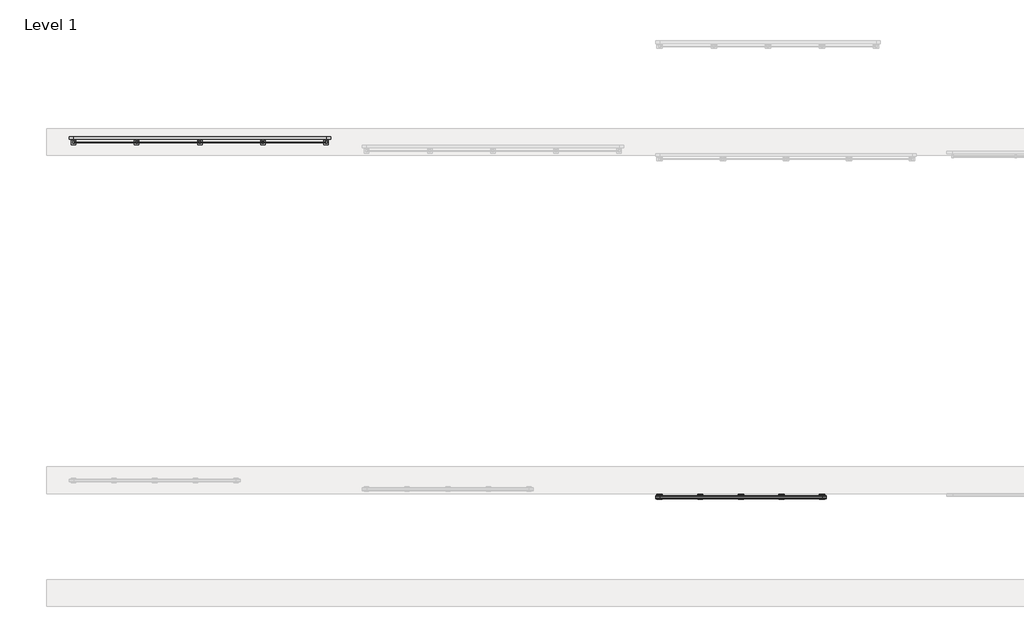
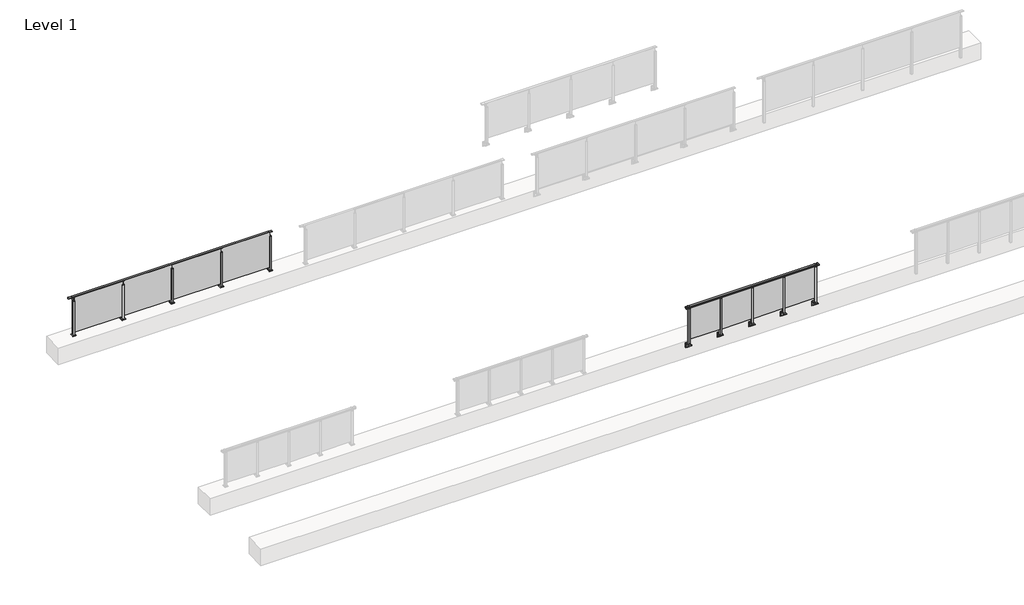
# One storey, part 57 of 64: 2 railings.
"""IFC4 building model written with IfcOpenShell, lengths in millimetres."""

from ifc_helpers import new_model, si_unit, point, frame, frame_2d, origin, origin_with_axes, place, context, project, spatial, polyline, circle_curve, trimmed, segment, composite_curve, outline, extrude, faceted_brep, element, save
from ifc_brep_helpers import plane_surface, cylinder_surface, revolved_surface, advanced_brep

model = new_model("IFC4")

# Units and contexts
model_context = context("Model", 3, world=origin())
ifc_project = project(units=[si_unit("LENGTHUNIT", "METRE", prefix="MILLI")], contexts=[model_context])

# Site, building, storey
site = spatial("IfcSite", under=ifc_project)
building = spatial("IfcBuilding", under=site)
storey = spatial("IfcBuildingStorey", under=building, Name="Level 1", Elevation=0.0)

# Railings
placement = place(None, origin())
element("IfcRailing", 1, at=placement, inside=storey, context=model_context, shape_type="SolidModel", body=[
    advanced_brep(
    [(42910.0, 37342.8633756, 1095.6691182), (42910.0, 37347.6846828, 1081.1334092), (42910.0, 37346.7413744, 1069.2539035), (42910.0, 37348.6364177, 1061.4863007), (42910.0, 37346.9894799, 1060.384124), (42910.0, 37346.9894799, 1062.0), (42910.0, 37288.3798858, 1062.0), (42910.0, 37288.3798858, 1060.384124), (42910.0, 37286.732948, 1061.4863007), (42910.0, 37288.6279912, 1069.2539035), (42910.0, 37287.6846828, 1081.1334092), (42910.0, 37292.50599, 1095.6691182), (46690.0, 37342.8633756, 1095.6691182), (46690.0, 37292.50599, 1095.6691182), (46690.0, 37287.6846828, 1081.1334092), (46690.0, 37288.6279912, 1069.2539035), (46690.0, 37286.732948, 1061.4863007), (46690.0, 37288.3798858, 1060.384124), (46690.0, 37288.3798858, 1062.0), (46690.0, 37346.9894799, 1062.0), (46690.0, 37346.9894799, 1060.384124), (46690.0, 37348.6364177, 1061.4863007), (46690.0, 37346.7413744, 1069.2539035), (46690.0, 37347.6846828, 1081.1334092), (43000.0, 37342.8633756, 1095.6691182), (43000.0, 37347.6846828, 1081.1334092), (43000.0, 37346.7413744, 1069.2539035), (43000.0, 37348.6364177, 1061.4863007), (43000.0, 37346.9894799, 1060.384124), (43000.0, 37346.9894799, 1062.0), (43000.0, 37288.3798858, 1062.0), (43000.0, 37288.3798858, 1060.384124), (43000.0, 37286.732948, 1061.4863007), (43000.0, 37288.6279912, 1069.2539035), (43000.0, 37287.6846828, 1081.1334092), (43000.0, 37292.50599, 1095.6691182), (46600.0, 37342.8633756, 1095.6691182), (46600.0, 37347.6846828, 1081.1334092), (46600.0, 37346.7413744, 1069.2539035), (46600.0, 37348.6364177, 1061.4863007), (46600.0, 37346.9894799, 1060.384124), (46600.0, 37346.9894799, 1062.0), (46600.0, 37288.3798858, 1062.0), (46600.0, 37288.3798858, 1060.384124), (46600.0, 37286.732948, 1061.4863007), (46600.0, 37288.6279912, 1069.2539035), (46600.0, 37287.6846828, 1081.1334092), (46600.0, 37292.50599, 1095.6691182)],
    [
        (0, 1, circle_curve(frame((42910.0, 37339.6223845, 1086.526686), z_axis=(-1.0, 0.0, 0.0), x_axis=(0.0, -1.0, 0.0)), 9.6999015)),
        (1, 2, circle_curve(frame((42910.0, 37365.2252545, 1073.7633709), z_axis=(1.0, 0.0, 0.0), x_axis=(0.0, -1.0, 0.0)), 19.0260117)),
        (2, 3),
        (3, 4, circle_curve(frame((42910.0, 37347.7772073, 1060.9886194), z_axis=(-1.0, 0.0, 0.0), x_axis=(0.0, -1.0, 0.0)), 0.9929396)),
        (4, 5),
        (5, 6),
        (6, 7),
        (7, 8, circle_curve(frame((42910.0, 37287.5921584, 1060.9886194), z_axis=(-1.0, 0.0, 0.0), x_axis=(0.0, 1.0, 0.0)), 0.9929396)),
        (8, 9),
        (9, 10, circle_curve(frame((42910.0, 37270.1441111, 1073.7633709), z_axis=(1.0, 0.0, 0.0), x_axis=(0.0, 1.0, 0.0)), 19.0260117)),
        (10, 11, circle_curve(frame((42910.0, 37295.7469812, 1086.526686), z_axis=(-1.0, 0.0, 0.0), x_axis=(0.0, 1.0, 0.0)), 9.6999015)),
        (11, 0, circle_curve(frame((42910.0, 37317.6846828, 1024.6431628), z_axis=(-1.0, 0.0, 0.0), x_axis=(0.0, 1.0, 0.0)), 75.3568372)),
        (12, 13, circle_curve(frame((46690.0, 37317.6846828, 1024.6431628), z_axis=(1.0, 0.0, 0.0), x_axis=(0.0, 1.0, 0.0)), 75.3568372)),
        (13, 14, circle_curve(frame((46690.0, 37295.7469812, 1086.526686), z_axis=(1.0, 0.0, 0.0), x_axis=(0.0, 1.0, 0.0)), 9.6999015)),
        (14, 15, circle_curve(frame((46690.0, 37270.1441111, 1073.7633709), z_axis=(-1.0, 0.0, 0.0), x_axis=(0.0, 1.0, 0.0)), 19.0260117)),
        (15, 16),
        (16, 17, circle_curve(frame((46690.0, 37287.5921584, 1060.9886194), z_axis=(1.0, 0.0, 0.0), x_axis=(0.0, 1.0, 0.0)), 0.9929396)),
        (17, 18),
        (18, 19),
        (19, 20),
        (20, 21, circle_curve(frame((46690.0, 37347.7772073, 1060.9886194), z_axis=(1.0, 0.0, 0.0), x_axis=(0.0, -1.0, 0.0)), 0.9929396)),
        (21, 22),
        (22, 23, circle_curve(frame((46690.0, 37365.2252545, 1073.7633709), z_axis=(-1.0, 0.0, 0.0), x_axis=(0.0, -1.0, 0.0)), 19.0260117)),
        (23, 12, circle_curve(frame((46690.0, 37339.6223845, 1086.526686), z_axis=(1.0, 0.0, 0.0), x_axis=(0.0, -1.0, 0.0)), 9.6999015)),
        (0, 24),
        (24, 25, circle_curve(frame((43000.0, 37339.6223845, 1086.526686), z_axis=(-1.0, 0.0, 0.0), x_axis=(0.0, -1.0, 0.0)), 9.6999015)),
        (25, 1),
        (25, 26, circle_curve(frame((43000.0, 37365.2252545, 1073.7633709), z_axis=(1.0, 0.0, 0.0), x_axis=(0.0, -1.0, 0.0)), 19.0260117)),
        (26, 2),
        (26, 27),
        (27, 3),
        (27, 28, circle_curve(frame((43000.0, 37347.7772073, 1060.9886194), z_axis=(-1.0, 0.0, 0.0), x_axis=(0.0, -1.0, 0.0)), 0.9929396)),
        (28, 4),
        (28, 29),
        (29, 5),
        (29, 30),
        (30, 6),
        (30, 31),
        (31, 7),
        (31, 32, circle_curve(frame((43000.0, 37287.5921584, 1060.9886194), z_axis=(-1.0, 0.0, 0.0), x_axis=(0.0, 1.0, 0.0)), 0.9929396)),
        (32, 8),
        (32, 33),
        (33, 9),
        (33, 34, circle_curve(frame((43000.0, 37270.1441111, 1073.7633709), z_axis=(1.0, 0.0, 0.0), x_axis=(0.0, 1.0, 0.0)), 19.0260117)),
        (34, 10),
        (34, 35, circle_curve(frame((43000.0, 37295.7469812, 1086.526686), z_axis=(-1.0, 0.0, 0.0), x_axis=(0.0, 1.0, 0.0)), 9.6999015)),
        (35, 11),
        (35, 24, circle_curve(frame((43000.0, 37317.6846828, 1024.6431628), z_axis=(-1.0, 0.0, 0.0), x_axis=(0.0, 1.0, 0.0)), 75.3568372)),
        (24, 36),
        (36, 37, circle_curve(frame((46600.0, 37339.6223845, 1086.526686), z_axis=(-1.0, 0.0, 0.0), x_axis=(0.0, -1.0, 0.0)), 9.6999015)),
        (37, 25),
        (37, 38, circle_curve(frame((46600.0, 37365.2252545, 1073.7633709), z_axis=(1.0, 0.0, 0.0), x_axis=(0.0, -1.0, 0.0)), 19.0260117)),
        (38, 26),
        (38, 39),
        (39, 27),
        (39, 40, circle_curve(frame((46600.0, 37347.7772073, 1060.9886194), z_axis=(-1.0, 0.0, 0.0), x_axis=(0.0, -1.0, 0.0)), 0.9929396)),
        (40, 28),
        (40, 41),
        (41, 29),
        (41, 42),
        (42, 30),
        (42, 43),
        (43, 31),
        (43, 44, circle_curve(frame((46600.0, 37287.5921584, 1060.9886194), z_axis=(-1.0, 0.0, 0.0), x_axis=(0.0, 1.0, 0.0)), 0.9929396)),
        (44, 32),
        (44, 45),
        (45, 33),
        (45, 46, circle_curve(frame((46600.0, 37270.1441111, 1073.7633709), z_axis=(1.0, 0.0, 0.0), x_axis=(0.0, 1.0, 0.0)), 19.0260117)),
        (46, 34),
        (46, 47, circle_curve(frame((46600.0, 37295.7469812, 1086.526686), z_axis=(-1.0, 0.0, 0.0), x_axis=(0.0, 1.0, 0.0)), 9.6999015)),
        (47, 35),
        (47, 36, circle_curve(frame((46600.0, 37317.6846828, 1024.6431628), z_axis=(-1.0, 0.0, 0.0), x_axis=(0.0, 1.0, 0.0)), 75.3568372)),
        (36, 12),
        (23, 37),
        (22, 38),
        (21, 39),
        (20, 40),
        (19, 41),
        (18, 42),
        (17, 43),
        (16, 44),
        (15, 45),
        (14, 46),
        (13, 47),
    ],
    [
        plane_surface(frame((42910.0, 37317.6846828, 1100.0), z_axis=(-1.0, 0.0, 0.0), x_axis=(0.0, 1.0, 0.0))),
        plane_surface(frame((46690.0, 37317.6846828, 1100.0), z_axis=(1.0, 0.0, 0.0), x_axis=(0.0, 1.0, 0.0))),
        cylinder_surface(frame((42910.0, 37339.6223845, 1086.526686), z_axis=(-1.0, 0.0, 0.0), x_axis=(0.0, -1.0, 0.0)), 9.6999015),
        revolved_surface(polyline([(43000.0, 37346.1992428, 1073.7633709), (42910.0, 37346.1992428, 1073.7633709)]), (42910.0, 37365.2252545, 1073.7633709), (1.0, 0.0, 0.0)),
        plane_surface(frame((42910.0, 37346.7413744, 1069.2539035), z_axis=(0.0, 0.9715057689301543, 0.2370159086125439), x_axis=(1.0, 0.0, 0.0))),
        cylinder_surface(frame((42910.0, 37347.7772073, 1060.9886194), z_axis=(-1.0, 0.0, 0.0), x_axis=(0.0, -1.0, 0.0)), 0.9929396),
        plane_surface(frame((42910.0, 37346.9894799, 1060.384124), z_axis=(0.0, -1.0, 0.0), x_axis=(1.0, 0.0, 0.0))),
        plane_surface(frame((42910.0, 37346.9894799, 1062.0), z_axis=(0.0, 0.0, -1.0), x_axis=(1.0, 0.0, 0.0))),
        plane_surface(frame((42910.0, 37288.3798858, 1062.0), z_axis=(0.0, 1.0, 0.0), x_axis=(1.0, 0.0, 0.0))),
        cylinder_surface(frame((42910.0, 37287.5921584, 1060.9886194), z_axis=(-1.0, 0.0, 0.0), x_axis=(0.0, 1.0, 0.0)), 0.9929396),
        plane_surface(frame((42910.0, 37286.732948, 1061.4863007), z_axis=(0.0, -0.9715057689301543, 0.2370159086125439), x_axis=(1.0, 0.0, 0.0))),
        revolved_surface(polyline([(43000.0, 37289.1701228, 1073.7633709), (42910.0, 37289.1701228, 1073.7633709)]), (42910.0, 37270.1441111, 1073.7633709), (1.0, 0.0, 0.0)),
        cylinder_surface(frame((42910.0, 37295.7469812, 1086.526686), z_axis=(-1.0, 0.0, 0.0), x_axis=(0.0, 1.0, 0.0)), 9.6999015),
        cylinder_surface(frame((42910.0, 37317.6846828, 1024.6431628), z_axis=(-1.0, 0.0, 0.0), x_axis=(0.0, 1.0, 0.0)), 75.3568372),
        cylinder_surface(frame((43000.0, 37339.6223845, 1086.526686), z_axis=(-1.0, 0.0, 0.0), x_axis=(0.0, -1.0, 0.0)), 9.6999015),
        revolved_surface(polyline([(46600.0, 37346.1992428, 1073.7633709), (43000.0, 37346.1992428, 1073.7633709)]), (43000.0, 37365.2252545, 1073.7633709), (1.0, 0.0, 0.0)),
        plane_surface(frame((43000.0, 37346.7413744, 1069.2539035), z_axis=(0.0, 0.9715057689301543, 0.2370159086125439), x_axis=(1.0, 0.0, 0.0))),
        cylinder_surface(frame((43000.0, 37347.7772073, 1060.9886194), z_axis=(-1.0, 0.0, 0.0), x_axis=(0.0, -1.0, 0.0)), 0.9929396),
        plane_surface(frame((43000.0, 37346.9894799, 1060.384124), z_axis=(0.0, -1.0, 0.0), x_axis=(1.0, 0.0, 0.0))),
        plane_surface(frame((43000.0, 37346.9894799, 1062.0), z_axis=(0.0, 0.0, -1.0), x_axis=(1.0, 0.0, 0.0))),
        plane_surface(frame((43000.0, 37288.3798858, 1062.0), z_axis=(0.0, 1.0, 0.0), x_axis=(1.0, 0.0, 0.0))),
        cylinder_surface(frame((43000.0, 37287.5921584, 1060.9886194), z_axis=(-1.0, 0.0, 0.0), x_axis=(0.0, 1.0, 0.0)), 0.9929396),
        plane_surface(frame((43000.0, 37286.732948, 1061.4863007), z_axis=(0.0, -0.9715057689301543, 0.2370159086125439), x_axis=(1.0, 0.0, 0.0))),
        revolved_surface(polyline([(46600.0, 37289.1701228, 1073.7633709), (43000.0, 37289.1701228, 1073.7633709)]), (43000.0, 37270.1441111, 1073.7633709), (1.0, 0.0, 0.0)),
        cylinder_surface(frame((43000.0, 37295.7469812, 1086.526686), z_axis=(-1.0, 0.0, 0.0), x_axis=(0.0, 1.0, 0.0)), 9.6999015),
        cylinder_surface(frame((43000.0, 37317.6846828, 1024.6431628), z_axis=(-1.0, 0.0, 0.0), x_axis=(0.0, 1.0, 0.0)), 75.3568372),
        cylinder_surface(frame((46600.0, 37339.6223845, 1086.526686), z_axis=(-1.0, 0.0, 0.0), x_axis=(0.0, -1.0, 0.0)), 9.6999015),
        revolved_surface(polyline([(46690.0, 37346.1992428, 1073.7633709), (46600.0, 37346.1992428, 1073.7633709)]), (46600.0, 37365.2252545, 1073.7633709), (1.0, 0.0, 0.0)),
        plane_surface(frame((46600.0, 37346.7413744, 1069.2539035), z_axis=(0.0, 0.9715057689301543, 0.2370159086125439), x_axis=(1.0, 0.0, 0.0))),
        cylinder_surface(frame((46600.0, 37347.7772073, 1060.9886194), z_axis=(-1.0, 0.0, 0.0), x_axis=(0.0, -1.0, 0.0)), 0.9929396),
        plane_surface(frame((46600.0, 37346.9894799, 1060.384124), z_axis=(0.0, -1.0, 0.0), x_axis=(1.0, 0.0, 0.0))),
        plane_surface(frame((46600.0, 37346.9894799, 1062.0), z_axis=(0.0, 0.0, -1.0), x_axis=(1.0, 0.0, 0.0))),
        plane_surface(frame((46600.0, 37288.3798858, 1062.0), z_axis=(0.0, 1.0, 0.0), x_axis=(1.0, 0.0, 0.0))),
        cylinder_surface(frame((46600.0, 37287.5921584, 1060.9886194), z_axis=(-1.0, 0.0, 0.0), x_axis=(0.0, 1.0, 0.0)), 0.9929396),
        plane_surface(frame((46600.0, 37286.732948, 1061.4863007), z_axis=(0.0, -0.9715057689301543, 0.2370159086125439), x_axis=(1.0, 0.0, 0.0))),
        revolved_surface(polyline([(46690.0, 37289.1701228, 1073.7633709), (46600.0, 37289.1701228, 1073.7633709)]), (46600.0, 37270.1441111, 1073.7633709), (1.0, 0.0, 0.0)),
        cylinder_surface(frame((46600.0, 37295.7469812, 1086.526686), z_axis=(-1.0, 0.0, 0.0), x_axis=(0.0, 1.0, 0.0)), 9.6999015),
        cylinder_surface(frame((46600.0, 37317.6846828, 1024.6431628), z_axis=(-1.0, 0.0, 0.0), x_axis=(0.0, 1.0, 0.0)), 75.3568372),
    ],
    [
        (0, [[1, 2, 3, 4, 5, 6, 7, 8, 9, 10, 11, 12]]),
        (1, [[13, 14, 15, 16, 17, 18, 19, 20, 21, 22, 23, 24]]),
        (2, [[-1, 25, 26, 27]]),
        (3, [[-2, -27, 28, 29]]),
        (4, [[-3, -29, 30, 31]]),
        (5, [[-4, -31, 32, 33]]),
        (6, [[-5, -33, 34, 35]]),
        (7, [[-6, -35, 36, 37]]),
        (8, [[-7, -37, 38, 39]]),
        (9, [[-8, -39, 40, 41]]),
        (10, [[-9, -41, 42, 43]]),
        (11, [[-10, -43, 44, 45]]),
        (12, [[-11, -45, 46, 47]]),
        (13, [[-12, -47, 48, -25]]),
        (14, [[-26, 49, 50, 51]]),
        (15, [[-28, -51, 52, 53]]),
        (16, [[-30, -53, 54, 55]]),
        (17, [[-32, -55, 56, 57]]),
        (18, [[-34, -57, 58, 59]]),
        (19, [[-36, -59, 60, 61]]),
        (20, [[-38, -61, 62, 63]]),
        (21, [[-40, -63, 64, 65]]),
        (22, [[-42, -65, 66, 67]]),
        (23, [[-44, -67, 68, 69]]),
        (24, [[-46, -69, 70, 71]]),
        (25, [[-48, -71, 72, -49]]),
        (26, [[-50, 73, -24, 74]]),
        (27, [[-52, -74, -23, 75]]),
        (28, [[-54, -75, -22, 76]]),
        (29, [[-56, -76, -21, 77]]),
        (30, [[-58, -77, -20, 78]]),
        (31, [[-60, -78, -19, 79]]),
        (32, [[-62, -79, -18, 80]]),
        (33, [[-64, -80, -17, 81]]),
        (34, [[-66, -81, -16, 82]]),
        (35, [[-68, -82, -15, 83]]),
        (36, [[-70, -83, -14, 84]]),
        (37, [[-72, -84, -13, -73]]),
    ],
),
    extrude(outline(polyline([(45710.0, 37311.9094929), (45710.0, 37321.9094929), (46590.0, 37321.9094929), (46590.0, 37311.9094929), (45710.0, 37311.9094929)])), frame((0.0, 0.0, 95.0), z_axis=(0.0, 0.0, 1.0), x_axis=(1.0, 0.0, 0.0)), (0.0, 0.0, 1.0), 960.0),
    extrude(outline(composite_curve([segment(polyline([(37350.1846828, -70.0), (37384.1846828, -63.0), (37384.1846828, -32.5), (37400.1846828, -32.5), (37400.1846828, -167.5), (37384.1846828, -167.5), (37384.1846828, -113.5)]), True, "CONTINUOUS"), segment(trimmed(circle_curve(frame_2d((37364.1846828, -113.5)), 20.0), [point((37384.1846828, -113.5))], [point((37364.1846828, -93.5))], True, "CARTESIAN"), True, "CONTINUOUS"), segment(polyline([(37364.1846828, -93.5), (37280.1846828, -93.5), (37280.1846828, -70.0), (37350.1846828, -70.0)]), True, "CONTINUOUS")], self_intersect=False)), frame((45640.0, 0.0, 0.0), z_axis=(1.0, 0.0, 0.0), x_axis=(0.0, 1.0, 0.0)), (0.0, 0.0, 1.0), 120.0),
    extrude(outline(polyline([(45722.5, 37340.1846828), (45722.5, 37295.1846828), (45677.5, 37295.1846828), (45677.5, 37340.1846828), (45722.5, 37340.1846828)])), frame((0.0, 0.0, -70.0), z_axis=(0.0, 0.0, 1.0), x_axis=(1.0, 0.0, 0.0)), (0.0, 0.0, 1.0), 1097.0),
    extrude(outline(polyline([(45710.0, 37327.6846828), (45710.0, 37307.6846828), (45690.0, 37307.6846828), (45690.0, 37327.6846828), (45710.0, 37327.6846828)])), frame((0.0, 0.0, 1035.0), z_axis=(0.0, 0.0, 1.0), x_axis=(1.0, 0.0, 0.0)), (0.0, 0.0, 1.0), 20.0),
    extrude(outline(polyline([(45722.5, 37340.1846828), (45722.5, 37295.1846828), (45677.5, 37295.1846828), (45677.5, 37340.1846828), (45722.5, 37340.1846828)])), frame((0.0, 0.0, 1027.0), z_axis=(0.0, 0.0, 1.0), x_axis=(1.0, 0.0, 0.0)), (0.0, 0.0, 1.0), 8.0),
    extrude(outline(polyline([(44810.0, 37311.9094929), (44810.0, 37321.9094929), (45690.0, 37321.9094929), (45690.0, 37311.9094929), (44810.0, 37311.9094929)])), frame((0.0, 0.0, 95.0), z_axis=(0.0, 0.0, 1.0), x_axis=(1.0, 0.0, 0.0)), (0.0, 0.0, 1.0), 960.0),
    extrude(outline(composite_curve([segment(polyline([(37350.1846828, -70.0), (37384.1846828, -63.0), (37384.1846828, -32.5), (37400.1846828, -32.5), (37400.1846828, -167.5), (37384.1846828, -167.5), (37384.1846828, -113.5)]), True, "CONTINUOUS"), segment(trimmed(circle_curve(frame_2d((37364.1846828, -113.5)), 20.0), [point((37384.1846828, -113.5))], [point((37364.1846828, -93.5))], True, "CARTESIAN"), True, "CONTINUOUS"), segment(polyline([(37364.1846828, -93.5), (37280.1846828, -93.5), (37280.1846828, -70.0), (37350.1846828, -70.0)]), True, "CONTINUOUS")], self_intersect=False)), frame((44740.0, 0.0, 0.0), z_axis=(1.0, 0.0, 0.0), x_axis=(0.0, 1.0, 0.0)), (0.0, 0.0, 1.0), 120.0),
    extrude(outline(polyline([(44822.5, 37340.1846828), (44822.5, 37295.1846828), (44777.5, 37295.1846828), (44777.5, 37340.1846828), (44822.5, 37340.1846828)])), frame((0.0, 0.0, -70.0), z_axis=(0.0, 0.0, 1.0), x_axis=(1.0, 0.0, 0.0)), (0.0, 0.0, 1.0), 1097.0),
    extrude(outline(polyline([(44810.0, 37327.6846828), (44810.0, 37307.6846828), (44790.0, 37307.6846828), (44790.0, 37327.6846828), (44810.0, 37327.6846828)])), frame((0.0, 0.0, 1035.0), z_axis=(0.0, 0.0, 1.0), x_axis=(1.0, 0.0, 0.0)), (0.0, 0.0, 1.0), 20.0),
    extrude(outline(polyline([(44822.5, 37340.1846828), (44822.5, 37295.1846828), (44777.5, 37295.1846828), (44777.5, 37340.1846828), (44822.5, 37340.1846828)])), frame((0.0, 0.0, 1027.0), z_axis=(0.0, 0.0, 1.0), x_axis=(1.0, 0.0, 0.0)), (0.0, 0.0, 1.0), 8.0),
    extrude(outline(polyline([(43910.0, 37311.9094929), (43910.0, 37321.9094929), (44790.0, 37321.9094929), (44790.0, 37311.9094929), (43910.0, 37311.9094929)])), frame((0.0, 0.0, 95.0), z_axis=(0.0, 0.0, 1.0), x_axis=(1.0, 0.0, 0.0)), (0.0, 0.0, 1.0), 960.0),
    extrude(outline(composite_curve([segment(polyline([(37350.1846828, -70.0), (37384.1846828, -63.0), (37384.1846828, -32.5), (37400.1846828, -32.5), (37400.1846828, -167.5), (37384.1846828, -167.5), (37384.1846828, -113.5)]), True, "CONTINUOUS"), segment(trimmed(circle_curve(frame_2d((37364.1846828, -113.5)), 20.0), [point((37384.1846828, -113.5))], [point((37364.1846828, -93.5))], True, "CARTESIAN"), True, "CONTINUOUS"), segment(polyline([(37364.1846828, -93.5), (37280.1846828, -93.5), (37280.1846828, -70.0), (37350.1846828, -70.0)]), True, "CONTINUOUS")], self_intersect=False)), frame((43840.0, 0.0, 0.0), z_axis=(1.0, 0.0, 0.0), x_axis=(0.0, 1.0, 0.0)), (0.0, 0.0, 1.0), 120.0),
    extrude(outline(polyline([(43922.5, 37340.1846828), (43922.5, 37295.1846828), (43877.5, 37295.1846828), (43877.5, 37340.1846828), (43922.5, 37340.1846828)])), frame((0.0, 0.0, -70.0), z_axis=(0.0, 0.0, 1.0), x_axis=(1.0, 0.0, 0.0)), (0.0, 0.0, 1.0), 1097.0),
    extrude(outline(polyline([(43910.0, 37327.6846828), (43910.0, 37307.6846828), (43890.0, 37307.6846828), (43890.0, 37327.6846828), (43910.0, 37327.6846828)])), frame((0.0, 0.0, 1035.0), z_axis=(0.0, 0.0, 1.0), x_axis=(1.0, 0.0, 0.0)), (0.0, 0.0, 1.0), 20.0),
    extrude(outline(polyline([(43922.5, 37340.1846828), (43922.5, 37295.1846828), (43877.5, 37295.1846828), (43877.5, 37340.1846828), (43922.5, 37340.1846828)])), frame((0.0, 0.0, 1027.0), z_axis=(0.0, 0.0, 1.0), x_axis=(1.0, 0.0, 0.0)), (0.0, 0.0, 1.0), 8.0),
    extrude(outline(polyline([(43010.0, 37311.9094929), (43010.0, 37321.9094929), (43890.0, 37321.9094929), (43890.0, 37311.9094929), (43010.0, 37311.9094929)])), frame((0.0, 0.0, 95.0), z_axis=(0.0, 0.0, 1.0), x_axis=(1.0, 0.0, 0.0)), (0.0, 0.0, 1.0), 960.0),
    extrude(outline(composite_curve([segment(polyline([(37350.1846828, -70.0), (37384.1846828, -63.0), (37384.1846828, -32.5), (37400.1846828, -32.5), (37400.1846828, -167.5), (37384.1846828, -167.5), (37384.1846828, -113.5)]), True, "CONTINUOUS"), segment(trimmed(circle_curve(frame_2d((37364.1846828, -113.5)), 20.0), [point((37384.1846828, -113.5))], [point((37364.1846828, -93.5))], True, "CARTESIAN"), True, "CONTINUOUS"), segment(polyline([(37364.1846828, -93.5), (37280.1846828, -93.5), (37280.1846828, -70.0), (37350.1846828, -70.0)]), True, "CONTINUOUS")], self_intersect=False)), frame((46540.0, 0.0, 0.0), z_axis=(1.0, 0.0, 0.0), x_axis=(0.0, 1.0, 0.0)), (0.0, 0.0, 1.0), 120.0),
    extrude(outline(polyline([(46622.5, 37340.1846828), (46622.5, 37295.1846828), (46577.5, 37295.1846828), (46577.5, 37340.1846828), (46622.5, 37340.1846828)])), frame((0.0, 0.0, -70.0), z_axis=(0.0, 0.0, 1.0), x_axis=(1.0, 0.0, 0.0)), (0.0, 0.0, 1.0), 1097.0),
    extrude(outline(polyline([(46610.0, 37327.6846828), (46610.0, 37307.6846828), (46590.0, 37307.6846828), (46590.0, 37327.6846828), (46610.0, 37327.6846828)])), frame((0.0, 0.0, 1035.0), z_axis=(0.0, 0.0, 1.0), x_axis=(1.0, 0.0, 0.0)), (0.0, 0.0, 1.0), 20.0),
    extrude(outline(polyline([(46622.5, 37340.1846828), (46622.5, 37295.1846828), (46577.5, 37295.1846828), (46577.5, 37340.1846828), (46622.5, 37340.1846828)])), frame((0.0, 0.0, 1027.0), z_axis=(0.0, 0.0, 1.0), x_axis=(1.0, 0.0, 0.0)), (0.0, 0.0, 1.0), 8.0),
    extrude(outline(composite_curve([segment(polyline([(37350.1846828, -70.0), (37384.1846828, -63.0), (37384.1846828, -32.5), (37400.1846828, -32.5), (37400.1846828, -167.5), (37384.1846828, -167.5), (37384.1846828, -113.5)]), True, "CONTINUOUS"), segment(trimmed(circle_curve(frame_2d((37364.1846828, -113.5)), 20.0), [point((37384.1846828, -113.5))], [point((37364.1846828, -93.5))], True, "CARTESIAN"), True, "CONTINUOUS"), segment(polyline([(37364.1846828, -93.5), (37280.1846828, -93.5), (37280.1846828, -70.0), (37350.1846828, -70.0)]), True, "CONTINUOUS")], self_intersect=False)), frame((42940.0, 0.0, 0.0), z_axis=(1.0, 0.0, 0.0), x_axis=(0.0, 1.0, 0.0)), (0.0, 0.0, 1.0), 120.0),
    extrude(outline(polyline([(43022.5, 37340.1846828), (43022.5, 37295.1846828), (42977.5, 37295.1846828), (42977.5, 37340.1846828), (43022.5, 37340.1846828)])), frame((0.0, 0.0, -70.0), z_axis=(0.0, 0.0, 1.0), x_axis=(1.0, 0.0, 0.0)), (0.0, 0.0, 1.0), 1097.0),
    extrude(outline(polyline([(43010.0, 37327.6846828), (43010.0, 37307.6846828), (42990.0, 37307.6846828), (42990.0, 37327.6846828), (43010.0, 37327.6846828)])), frame((0.0, 0.0, 1035.0), z_axis=(0.0, 0.0, 1.0), x_axis=(1.0, 0.0, 0.0)), (0.0, 0.0, 1.0), 20.0),
    extrude(outline(polyline([(43022.5, 37340.1846828), (43022.5, 37295.1846828), (42977.5, 37295.1846828), (42977.5, 37340.1846828), (43022.5, 37340.1846828)])), frame((0.0, 0.0, 1027.0), z_axis=(0.0, 0.0, 1.0), x_axis=(1.0, 0.0, 0.0)), (0.0, 0.0, 1.0), 8.0),
])
element("IfcRailing", 2, at=placement, inside=storey, context=model_context, shape_type="SolidModel", body=[
    faceted_brep([(30000.0, 45315.6846828, 1085.0), (30000.0, 45315.6846828, 1100.0), (35600.0, 45315.6846828, 1100.0), (35600.0, 45315.6846828, 1085.0), (30000.0, 45255.6846828, 1085.0), (30000.0, 45295.6846828, 1085.0), (35600.0, 45295.6846828, 1085.0), (35600.0, 45255.6846828, 1085.0), (30000.0, 45255.6846828, 1100.0), (35600.0, 45255.6846828, 1100.0), (29900.0, 45315.6846828, 1100.0), (29900.0, 45315.6846828, 1085.0), (29900.0, 45300.6846828, 1085.0), (29900.0, 45300.6846828, 1073.0), (29900.0, 45295.6846828, 1073.0), (29900.0, 45295.6846828, 1085.0), (29900.0, 45255.6846828, 1085.0), (29900.0, 45255.6846828, 1100.0), (35700.0, 45315.6846828, 1100.0), (35700.0, 45255.6846828, 1100.0), (35700.0, 45255.6846828, 1085.0), (35700.0, 45295.6846828, 1085.0), (35700.0, 45295.6846828, 1073.0), (35700.0, 45300.6846828, 1073.0), (35700.0, 45300.6846828, 1085.0), (35700.0, 45315.6846828, 1085.0), (30000.0, 45300.6846828, 1085.0), (35600.0, 45300.6846828, 1085.0), (30000.0, 45300.6846828, 1073.0), (30000.0, 45295.6846828, 1073.0), (35600.0, 45300.6846828, 1073.0), (35600.0, 45295.6846828, 1073.0)], [[[0, 1, 2, 3]], [[4, 5, 6, 7]], [[8, 4, 7, 9]], [[1, 8, 9, 2]], [[10, 11, 12, 13, 14, 15, 16, 17]], [[11, 10, 1, 0]], [[16, 15, 5, 4]], [[17, 16, 4, 8]], [[10, 17, 8, 1]], [[18, 19, 20, 21, 22, 23, 24, 25]], [[3, 2, 18, 25]], [[7, 6, 21, 20]], [[9, 7, 20, 19]], [[2, 9, 19, 18]], [[12, 11, 0, 26]], [[26, 0, 3, 27]], [[27, 3, 25, 24]], [[13, 12, 26, 28]], [[14, 13, 28, 29]], [[15, 14, 29, 5]], [[28, 26, 27, 30]], [[29, 28, 30, 31]], [[5, 29, 31, 6]], [[30, 27, 24, 23]], [[31, 30, 23, 22]], [[6, 31, 22, 21]]]),
    extrude(outline(polyline([(34210.0, 45184.4094929), (34210.0, 45194.4094929), (35590.0, 45194.4094929), (35590.0, 45184.4094929), (34210.0, 45184.4094929)])), frame((0.0, 0.0, 95.0), z_axis=(0.0, 0.0, 1.0), x_axis=(1.0, 0.0, 0.0)), (0.0, 0.0, 1.0), 1055.0),
    extrude(outline(composite_curve([segment(polyline([(45300.6846828, 1085.0), (45300.6846828, 1060.900037)]), True, "CONTINUOUS"), segment(trimmed(circle_curve(frame_2d((45290.6846828, 1060.900037)), 10.0), [point((45300.6846828, 1060.900037))], [point((45293.2728733, 1051.2407787))], False, "CARTESIAN"), True, "CONTINUOUS"), segment(polyline([(45293.2728733, 1051.2407787), (45236.2244733, 1035.9547061)]), True, "CONTINUOUS"), segment(trimmed(circle_curve(frame_2d((45238.8126638, 1026.2954478)), 10.0), [point((45236.2244733, 1035.9547061))], [point((45228.8982152, 1027.6007097))], True, "CARTESIAN"), True, "CONTINUOUS"), segment(polyline([(45228.8982152, 1027.6007097), (45224.291393, 992.6084214)]), True, "CONTINUOUS"), segment(trimmed(circle_curve(frame_2d((45221.3170584, 993.0)), 3.0), [point((45224.291393, 992.6084214))], [point((45221.3170584, 990.0))], False, "CARTESIAN"), True, "CONTINUOUS"), segment(polyline([(45221.3170584, 990.0), (45212.6846828, 990.0), (45212.6846828, 1040.0), (45276.6846828, 1057.1487483), (45276.6846828, 1085.0), (45300.6846828, 1085.0)]), True, "CONTINUOUS")], self_intersect=False)), frame((34187.5, 0.0, 0.0), z_axis=(1.0, 0.0, 0.0), x_axis=(0.0, 1.0, 0.0)), (0.0, 0.0, 1.0), 25.0),
    extrude(outline(polyline([(34222.5, 45212.6846828), (34222.5, 45167.6846828), (34177.5, 45167.6846828), (34177.5, 45212.6846828), (34222.5, 45212.6846828)])), frame((0.0, 0.0, 1040.0), z_axis=(0.0, 0.0, 1.0), x_axis=(1.0, 0.0, 0.0)), (0.0, 0.0, 1.0), 5.0),
    extrude(outline(polyline([(34250.0, 45240.1846828), (34250.0, 45140.1846828), (34150.0, 45140.1846828), (34150.0, 45240.1846828), (34250.0, 45240.1846828)])), origin_with_axes(), (0.0, 0.0, 1.0), 12.0),
    extrude(outline(polyline([(34222.5, 45212.6846828), (34222.5, 45167.6846828), (34177.5, 45167.6846828), (34177.5, 45212.6846828), (34222.5, 45212.6846828)])), frame((0.0, 0.0, 12.0), z_axis=(0.0, 0.0, 1.0), x_axis=(1.0, 0.0, 0.0)), (0.0, 0.0, 1.0), 1028.0),
    extrude(outline(polyline([(32810.0, 45184.4094929), (32810.0, 45194.4094929), (34190.0, 45194.4094929), (34190.0, 45184.4094929), (32810.0, 45184.4094929)])), frame((0.0, 0.0, 95.0), z_axis=(0.0, 0.0, 1.0), x_axis=(1.0, 0.0, 0.0)), (0.0, 0.0, 1.0), 1055.0),
    extrude(outline(composite_curve([segment(polyline([(45300.6846828, 1085.0), (45300.6846828, 1060.900037)]), True, "CONTINUOUS"), segment(trimmed(circle_curve(frame_2d((45290.6846828, 1060.900037)), 10.0), [point((45300.6846828, 1060.900037))], [point((45293.2728733, 1051.2407787))], False, "CARTESIAN"), True, "CONTINUOUS"), segment(polyline([(45293.2728733, 1051.2407787), (45236.2244733, 1035.9547061)]), True, "CONTINUOUS"), segment(trimmed(circle_curve(frame_2d((45238.8126638, 1026.2954478)), 10.0), [point((45236.2244733, 1035.9547061))], [point((45228.8982152, 1027.6007097))], True, "CARTESIAN"), True, "CONTINUOUS"), segment(polyline([(45228.8982152, 1027.6007097), (45224.291393, 992.6084214)]), True, "CONTINUOUS"), segment(trimmed(circle_curve(frame_2d((45221.3170584, 993.0)), 3.0), [point((45224.291393, 992.6084214))], [point((45221.3170584, 990.0))], False, "CARTESIAN"), True, "CONTINUOUS"), segment(polyline([(45221.3170584, 990.0), (45212.6846828, 990.0), (45212.6846828, 1040.0), (45276.6846828, 1057.1487483), (45276.6846828, 1085.0), (45300.6846828, 1085.0)]), True, "CONTINUOUS")], self_intersect=False)), frame((32787.5, 0.0, 0.0), z_axis=(1.0, 0.0, 0.0), x_axis=(0.0, 1.0, 0.0)), (0.0, 0.0, 1.0), 25.0),
    extrude(outline(polyline([(32822.5, 45212.6846828), (32822.5, 45167.6846828), (32777.5, 45167.6846828), (32777.5, 45212.6846828), (32822.5, 45212.6846828)])), frame((0.0, 0.0, 1040.0), z_axis=(0.0, 0.0, 1.0), x_axis=(1.0, 0.0, 0.0)), (0.0, 0.0, 1.0), 5.0),
    extrude(outline(polyline([(32850.0, 45240.1846828), (32850.0, 45140.1846828), (32750.0, 45140.1846828), (32750.0, 45240.1846828), (32850.0, 45240.1846828)])), origin_with_axes(), (0.0, 0.0, 1.0), 12.0),
    extrude(outline(polyline([(32822.5, 45212.6846828), (32822.5, 45167.6846828), (32777.5, 45167.6846828), (32777.5, 45212.6846828), (32822.5, 45212.6846828)])), frame((0.0, 0.0, 12.0), z_axis=(0.0, 0.0, 1.0), x_axis=(1.0, 0.0, 0.0)), (0.0, 0.0, 1.0), 1028.0),
    extrude(outline(polyline([(31410.0, 45184.4094929), (31410.0, 45194.4094929), (32790.0, 45194.4094929), (32790.0, 45184.4094929), (31410.0, 45184.4094929)])), frame((0.0, 0.0, 95.0), z_axis=(0.0, 0.0, 1.0), x_axis=(1.0, 0.0, 0.0)), (0.0, 0.0, 1.0), 1055.0),
    extrude(outline(composite_curve([segment(polyline([(45300.6846828, 1085.0), (45300.6846828, 1060.900037)]), True, "CONTINUOUS"), segment(trimmed(circle_curve(frame_2d((45290.6846828, 1060.900037)), 10.0), [point((45300.6846828, 1060.900037))], [point((45293.2728733, 1051.2407787))], False, "CARTESIAN"), True, "CONTINUOUS"), segment(polyline([(45293.2728733, 1051.2407787), (45236.2244733, 1035.9547061)]), True, "CONTINUOUS"), segment(trimmed(circle_curve(frame_2d((45238.8126638, 1026.2954478)), 10.0), [point((45236.2244733, 1035.9547061))], [point((45228.8982152, 1027.6007097))], True, "CARTESIAN"), True, "CONTINUOUS"), segment(polyline([(45228.8982152, 1027.6007097), (45224.291393, 992.6084214)]), True, "CONTINUOUS"), segment(trimmed(circle_curve(frame_2d((45221.3170584, 993.0)), 3.0), [point((45224.291393, 992.6084214))], [point((45221.3170584, 990.0))], False, "CARTESIAN"), True, "CONTINUOUS"), segment(polyline([(45221.3170584, 990.0), (45212.6846828, 990.0), (45212.6846828, 1040.0), (45276.6846828, 1057.1487483), (45276.6846828, 1085.0), (45300.6846828, 1085.0)]), True, "CONTINUOUS")], self_intersect=False)), frame((31387.5, 0.0, 0.0), z_axis=(1.0, 0.0, 0.0), x_axis=(0.0, 1.0, 0.0)), (0.0, 0.0, 1.0), 25.0),
    extrude(outline(polyline([(31422.5, 45212.6846828), (31422.5, 45167.6846828), (31377.5, 45167.6846828), (31377.5, 45212.6846828), (31422.5, 45212.6846828)])), frame((0.0, 0.0, 1040.0), z_axis=(0.0, 0.0, 1.0), x_axis=(1.0, 0.0, 0.0)), (0.0, 0.0, 1.0), 5.0),
    extrude(outline(polyline([(31450.0, 45240.1846828), (31450.0, 45140.1846828), (31350.0, 45140.1846828), (31350.0, 45240.1846828), (31450.0, 45240.1846828)])), origin_with_axes(), (0.0, 0.0, 1.0), 12.0),
    extrude(outline(polyline([(31422.5, 45212.6846828), (31422.5, 45167.6846828), (31377.5, 45167.6846828), (31377.5, 45212.6846828), (31422.5, 45212.6846828)])), frame((0.0, 0.0, 12.0), z_axis=(0.0, 0.0, 1.0), x_axis=(1.0, 0.0, 0.0)), (0.0, 0.0, 1.0), 1028.0),
    extrude(outline(polyline([(30010.0, 45184.4094929), (30010.0, 45194.4094929), (31390.0, 45194.4094929), (31390.0, 45184.4094929), (30010.0, 45184.4094929)])), frame((0.0, 0.0, 95.0), z_axis=(0.0, 0.0, 1.0), x_axis=(1.0, 0.0, 0.0)), (0.0, 0.0, 1.0), 1055.0),
    extrude(outline(composite_curve([segment(polyline([(45300.6846828, 1085.0), (45300.6846828, 1060.900037)]), True, "CONTINUOUS"), segment(trimmed(circle_curve(frame_2d((45290.6846828, 1060.900037)), 10.0), [point((45300.6846828, 1060.900037))], [point((45293.2728733, 1051.2407787))], False, "CARTESIAN"), True, "CONTINUOUS"), segment(polyline([(45293.2728733, 1051.2407787), (45236.2244733, 1035.9547061)]), True, "CONTINUOUS"), segment(trimmed(circle_curve(frame_2d((45238.8126638, 1026.2954478)), 10.0), [point((45236.2244733, 1035.9547061))], [point((45228.8982152, 1027.6007097))], True, "CARTESIAN"), True, "CONTINUOUS"), segment(polyline([(45228.8982152, 1027.6007097), (45224.291393, 992.6084214)]), True, "CONTINUOUS"), segment(trimmed(circle_curve(frame_2d((45221.3170584, 993.0)), 3.0), [point((45224.291393, 992.6084214))], [point((45221.3170584, 990.0))], False, "CARTESIAN"), True, "CONTINUOUS"), segment(polyline([(45221.3170584, 990.0), (45212.6846828, 990.0), (45212.6846828, 1040.0), (45276.6846828, 1057.1487483), (45276.6846828, 1085.0), (45300.6846828, 1085.0)]), True, "CONTINUOUS")], self_intersect=False)), frame((35587.5, 0.0, 0.0), z_axis=(1.0, 0.0, 0.0), x_axis=(0.0, 1.0, 0.0)), (0.0, 0.0, 1.0), 25.0),
    extrude(outline(polyline([(35622.5, 45212.6846828), (35622.5, 45167.6846828), (35577.5, 45167.6846828), (35577.5, 45212.6846828), (35622.5, 45212.6846828)])), frame((0.0, 0.0, 1040.0), z_axis=(0.0, 0.0, 1.0), x_axis=(1.0, 0.0, 0.0)), (0.0, 0.0, 1.0), 5.0),
    extrude(outline(polyline([(35650.0, 45240.1846828), (35650.0, 45140.1846828), (35550.0, 45140.1846828), (35550.0, 45240.1846828), (35650.0, 45240.1846828)])), origin_with_axes(), (0.0, 0.0, 1.0), 12.0),
    extrude(outline(polyline([(35622.5, 45212.6846828), (35622.5, 45167.6846828), (35577.5, 45167.6846828), (35577.5, 45212.6846828), (35622.5, 45212.6846828)])), frame((0.0, 0.0, 12.0), z_axis=(0.0, 0.0, 1.0), x_axis=(1.0, 0.0, 0.0)), (0.0, 0.0, 1.0), 1028.0),
    extrude(outline(composite_curve([segment(polyline([(45300.6846828, 1085.0), (45300.6846828, 1060.900037)]), True, "CONTINUOUS"), segment(trimmed(circle_curve(frame_2d((45290.6846828, 1060.900037)), 10.0), [point((45300.6846828, 1060.900037))], [point((45293.2728733, 1051.2407787))], False, "CARTESIAN"), True, "CONTINUOUS"), segment(polyline([(45293.2728733, 1051.2407787), (45236.2244733, 1035.9547061)]), True, "CONTINUOUS"), segment(trimmed(circle_curve(frame_2d((45238.8126638, 1026.2954478)), 10.0), [point((45236.2244733, 1035.9547061))], [point((45228.8982152, 1027.6007097))], True, "CARTESIAN"), True, "CONTINUOUS"), segment(polyline([(45228.8982152, 1027.6007097), (45224.291393, 992.6084214)]), True, "CONTINUOUS"), segment(trimmed(circle_curve(frame_2d((45221.3170584, 993.0)), 3.0), [point((45224.291393, 992.6084214))], [point((45221.3170584, 990.0))], False, "CARTESIAN"), True, "CONTINUOUS"), segment(polyline([(45221.3170584, 990.0), (45212.6846828, 990.0), (45212.6846828, 1040.0), (45276.6846828, 1057.1487483), (45276.6846828, 1085.0), (45300.6846828, 1085.0)]), True, "CONTINUOUS")], self_intersect=False)), frame((29987.5, 0.0, 0.0), z_axis=(1.0, 0.0, 0.0), x_axis=(0.0, 1.0, 0.0)), (0.0, 0.0, 1.0), 25.0),
    extrude(outline(polyline([(30022.5, 45212.6846828), (30022.5, 45167.6846828), (29977.5, 45167.6846828), (29977.5, 45212.6846828), (30022.5, 45212.6846828)])), frame((0.0, 0.0, 1040.0), z_axis=(0.0, 0.0, 1.0), x_axis=(1.0, 0.0, 0.0)), (0.0, 0.0, 1.0), 5.0),
    extrude(outline(polyline([(30050.0, 45240.1846828), (30050.0, 45140.1846828), (29950.0, 45140.1846828), (29950.0, 45240.1846828), (30050.0, 45240.1846828)])), origin_with_axes(), (0.0, 0.0, 1.0), 12.0),
    extrude(outline(polyline([(30022.5, 45212.6846828), (30022.5, 45167.6846828), (29977.5, 45167.6846828), (29977.5, 45212.6846828), (30022.5, 45212.6846828)])), frame((0.0, 0.0, 12.0), z_axis=(0.0, 0.0, 1.0), x_axis=(1.0, 0.0, 0.0)), (0.0, 0.0, 1.0), 1028.0),
])

save(model, "model.ifc")
